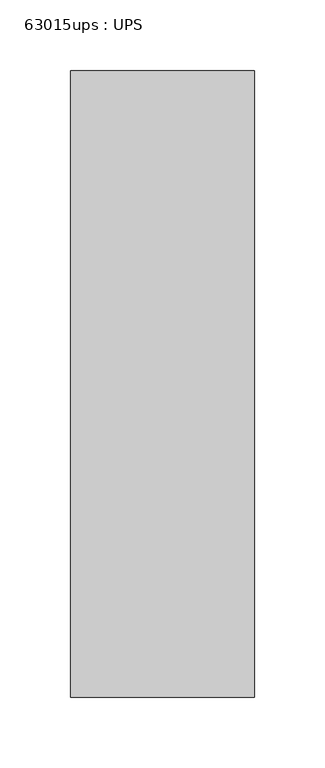
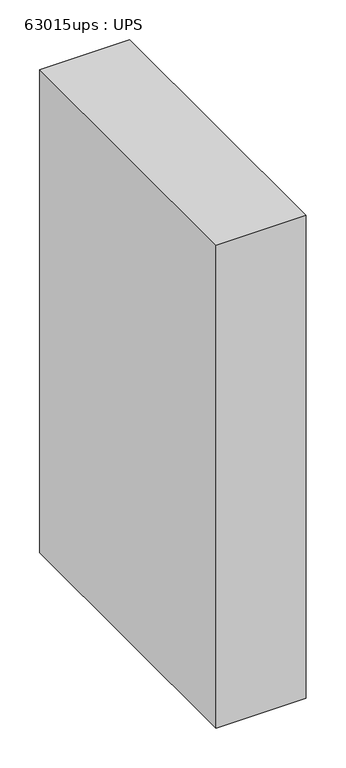
"""IFC4 building model written with IfcOpenShell, lengths in millimetres: proxy geometry, 63015ups : UPS."""

from ifc_helpers import new_model, si_unit, origin, origin_with_axes, place, context, project, spatial, polyline, outline, extrude, source, transform, mapped, element, save


def proxy_63015ups_ups_a59c7a97(model_context):
    return source(origin(), model_context, "Body", "SweptSolid", [
        extrude(outline(polyline([(232.156, -101.6), (232.156, -546.1), (101.6, -546.1), (101.6, -101.6), (232.156, -101.6)])), origin_with_axes(), (0.0, 0.0, 1.0), 741.6601562),
    ])


if __name__ == "__main__":
    model = new_model("IFC4")
    model_context = context("Model", 3, world=origin())
    ifc_project = project(units=[si_unit("LENGTHUNIT", "METRE", prefix="MILLI")], contexts=[model_context])
    site = spatial("IfcSite", under=ifc_project)
    building = spatial("IfcBuilding", under=site)
    placement = place(None, origin())
    proxy_63015ups_ups_shape = proxy_63015ups_ups_a59c7a97(model_context)
    element("IfcBuildingElementProxy", 1, Name="63015ups : UPS", ObjectType="63015ups : UPS", at=placement, inside=building, context=model_context, shape_type="MappedRepresentation", body=[
        mapped(proxy_63015ups_ups_shape, transform((0.0, 0.0, 0.0), x_axis=(1.0, 0.0, 0.0), y_axis=(0.0, 1.0, 0.0), z_axis=(0.0, 0.0, 1.0))),
    ])
    save(model, "model.ifc")
